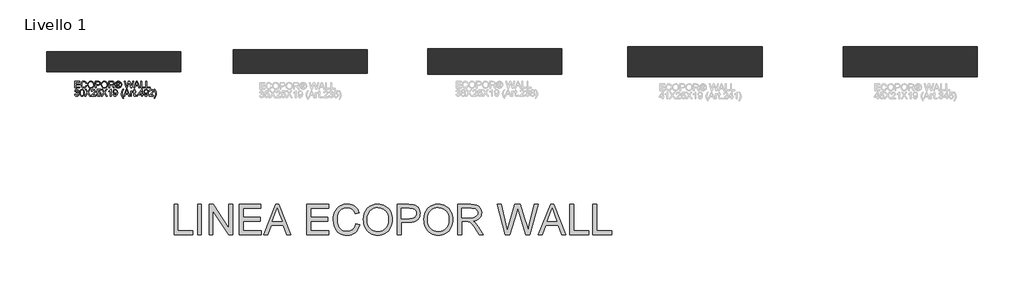
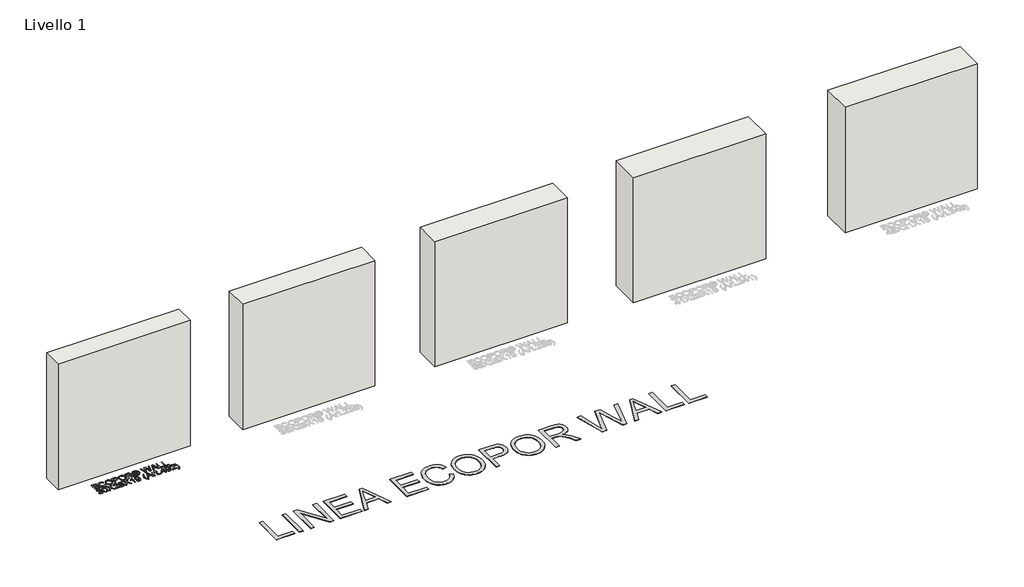
# One storey, part 1 of 4: 5 walls, 2 proxies.
"""IFC4 building model written with IfcOpenShell, lengths in millimetres."""

import ifcopenshell
import ifcopenshell.guid

model = None  # the IFC model being written
_history = None  # IfcOwnerHistory: only IFC2X3 demands one
_inside = {}  # id of a spatial element -> (the spatial element, [elements in it])
_under = {}  # id of a project, library or spatial element -> (it, [spatial elements below it])
_declared = {}  # id of a project -> (the project, [libraries it declares])
_typed = {}  # id of a type object -> (the type object, [elements of that type])
_made_of = {}  # id of a material, layer set ... -> (it, [elements and type objects made of it])


def new_model(schema):
    """Start an empty IFC model of exactly this schema.

    Asked for "IFC4X3", IfcOpenShell would pick the latest addendum, in which some entities
    have other attributes; the version numbers below select the first issue.
    IFC2X3 requires an IfcOwnerHistory on every rooted entity: one is made here for all.
    """
    global model, _history
    if schema == "IFC4X3":
        model = ifcopenshell.file(schema_version=(4, 3, 0, 0))
    else:
        model = ifcopenshell.file(schema=schema)
    _inside.clear()
    _under.clear()
    _declared.clear()
    _typed.clear()
    _made_of.clear()
    _history = None
    if model.schema == "IFC2X3":
        org = make("IfcOrganization", Name="unknown")
        user = make(
            "IfcPersonAndOrganization",
            ThePerson=make("IfcPerson", FamilyName="unknown"),
            TheOrganization=org,
        )
        app = make(
            "IfcApplication",
            ApplicationDeveloper=org,
            Version="unknown",
            ApplicationFullName="unknown",
            ApplicationIdentifier="unknown",
        )
        _history = make(
            "IfcOwnerHistory",
            OwningUser=user,
            OwningApplication=app,
            ChangeAction="ADDED",
            CreationDate=0,
        )
    return model


def make(cls, **values):
    """One entity of the class cls with the attributes given. An attribute that is None is left unset."""
    return model.create_entity(
        cls, **{name: value for name, value in values.items() if value is not None}
    )


def rooted(cls, **values):
    """An entity with a GlobalId (a new one), such as an element, a storey or a relation."""
    return make(cls, GlobalId=ifcopenshell.guid.new(), OwnerHistory=_history, **values)


def si_unit(unit_type, name, prefix=None):
    """IfcSIUnit, for example si_unit("LENGTHUNIT", "METRE", prefix="MILLI")."""
    return make("IfcSIUnit", UnitType=unit_type, Prefix=prefix, Name=name)


def assignment(units):
    """IfcUnitAssignment: the units of a project."""
    return None if units is None else make("IfcUnitAssignment", Units=units)


def point(xyz):
    """IfcCartesianPoint."""
    return None if xyz is None else make("IfcCartesianPoint", Coordinates=xyz)


def direction(xyz):
    """IfcDirection."""
    return None if xyz is None else make("IfcDirection", DirectionRatios=xyz)


def frame(location, z_axis=None, x_axis=None):
    """IfcAxis2Placement3D, a coordinate frame: its origin and axes. An axis left out is left unset."""
    return make(
        "IfcAxis2Placement3D",
        Location=point(location),
        Axis=direction(z_axis),
        RefDirection=direction(x_axis),
    )


def origin():
    """The frame at (0, 0, 0) with its axes left unset."""
    return frame((0.0, 0.0, 0.0))


def origin_with_axes():
    """The frame at (0, 0, 0) with the z axis (0, 0, 1) and the x axis (1, 0, 0) written out."""
    return frame((0.0, 0.0, 0.0), z_axis=(0.0, 0.0, 1.0), x_axis=(1.0, 0.0, 0.0))


def place(relative_to, where):
    """IfcLocalPlacement: puts the frame where relative to a parent placement (None: the world)."""
    return make(
        "IfcLocalPlacement", PlacementRelTo=relative_to, RelativePlacement=where
    )


def context(
    kind, dimensions, precision=None, world=None, true_north=None, identifier=None
):
    """IfcGeometricRepresentationContext, for example the 3D "Model" context."""
    return make(
        "IfcGeometricRepresentationContext",
        ContextIdentifier=identifier,
        ContextType=kind,
        CoordinateSpaceDimension=dimensions,
        Precision=precision,
        WorldCoordinateSystem=world,
        TrueNorth=true_north,
    )


def project(units=None, contexts=None):
    """IfcProject with its units and contexts."""
    return rooted(
        "IfcProject",
        Name="project",
        RepresentationContexts=contexts,
        UnitsInContext=assignment(units),
    )


def spatial(cls, under=None, at=None, **own):
    """A site, building, storey or space (cls), placed at a placement, below another one or the project."""
    s = rooted(cls, ObjectPlacement=at, **own)
    if under is not None:
        _under.setdefault(under.id(), (under, []))[1].append(s)
    return s


def polyline(points):
    """IfcPolyline through the points."""
    return make("IfcPolyline", Points=[point(p) for p in points])


def outline(outer, holes=None, kind="AREA"):
    """IfcArbitraryClosedProfileDef: a profile drawn as a closed curve; with holes, ...WithVoids."""
    if holes is None:
        return make("IfcArbitraryClosedProfileDef", ProfileType=kind, OuterCurve=outer)
    return make(
        "IfcArbitraryProfileDefWithVoids",
        ProfileType=kind,
        OuterCurve=outer,
        InnerCurves=holes,
    )


def extrude(swept, where, along, depth):
    """IfcExtrudedAreaSolid: the profile swept, set in the frame where, extruded along a direction by depth."""
    return make(
        "IfcExtrudedAreaSolid",
        SweptArea=swept,
        Position=where,
        ExtrudedDirection=direction(along),
        Depth=depth,
    )


def shape(context_of_items, identifier, shape_type, items):
    """IfcShapeRepresentation: the items that make up one representation, for example the "Body"."""
    return make(
        "IfcShapeRepresentation",
        ContextOfItems=context_of_items,
        RepresentationIdentifier=identifier,
        RepresentationType=shape_type,
        Items=items,
    )


def made_of(thing, what):
    """Note that an element or type object is made of a material, layer set ...; save() writes the relation."""
    if what is not None:
        _made_of.setdefault(what.id(), (what, []))[1].append(thing)
    return thing


def element(
    cls,
    number,
    at=None,
    inside=None,
    cuts=None,
    type_object=None,
    material=None,
    context=None,
    identifier="Body",
    shape_type=None,
    held_by="IfcProductDefinitionShape",
    body=None,
    shapes=None,
    **own,
):
    """One element of the class cls, such as IfcWall. Its Tag is "e" and its number.

    at: its placement. inside: the storey or other place that contains it. cuts: it is an
    opening in that element (IfcRelVoidsElement). A single representation is given by context,
    identifier, shape_type and body (its items); several are given by shapes. held_by: the class
    of the entity that holds the representations. save() writes the other relations.
    """
    e = rooted(cls, Tag="e%d" % number, ObjectPlacement=at, **own)
    if body is not None:
        shapes = [shape(context, identifier, shape_type, body)]
    if shapes is not None:
        e.Representation = make(held_by, Representations=shapes)
    if inside is not None:
        _inside.setdefault(inside.id(), (inside, []))[1].append(e)
    if cuts is not None:
        rooted(
            "IfcRelVoidsElement", RelatingBuildingElement=cuts, RelatedOpeningElement=e
        )
    if type_object is not None:
        _typed.setdefault(type_object.id(), (type_object, []))[1].append(e)
    return made_of(e, material)


def aggregate(whole, parts):
    """IfcRelAggregates: a whole, such as a stair, and the parts it consists of."""
    return rooted("IfcRelAggregates", RelatingObject=whole, RelatedObjects=parts)


def save(model, path):
    """Write the relations noted so far, then the file.

    IfcRelAggregates (storeys below a building ...), IfcRelContainedInSpatialStructure (elements
    in a storey), IfcRelDefinesByType, IfcRelAssociatesMaterial and IfcRelDeclares: one each for
    every whole, place, type object, material and project.
    """
    for whole, parts in _under.values():
        aggregate(whole, parts)
    for where, things in _inside.values():
        rooted(
            "IfcRelContainedInSpatialStructure",
            RelatedElements=things,
            RelatingStructure=where,
        )
    for kind, things in _typed.values():
        rooted("IfcRelDefinesByType", RelatedObjects=things, RelatingType=kind)
    for what, things in _made_of.values():
        rooted("IfcRelAssociatesMaterial", RelatedObjects=things, RelatingMaterial=what)
    for by, libraries in _declared.values():
        rooted("IfcRelDeclares", RelatingContext=by, RelatedDefinitions=libraries)
    model.write(path)


model = new_model("IFC4")

# Units and contexts
model_context = context("Model", 3, world=origin())
ifc_project = project(units=[si_unit("LENGTHUNIT", "METRE", prefix="MILLI")], contexts=[model_context])

# Site, building, storey
site = spatial("IfcSite", under=ifc_project)
building = spatial("IfcBuilding", under=site)
storey = spatial("IfcBuildingStorey", under=building, Name="Livello 1", Elevation=0.0)

# Proxies
placement = place(None, origin())
element("IfcBuildingElementProxy", 1, Name="100", ObjectType="100", at=placement, inside=storey, context=model_context, shape_type="SweptSolid", body=[
    extrude(outline(polyline([(-4607.2452615, 222.946678), (-4607.2452615, 323.4029882), (-4535.0422885, 323.4029882), (-4535.0422885, 310.8459494), (-4594.6882227, 310.8459494), (-4594.6882227, 281.0229823), (-4538.1815482, 281.0229823), (-4538.1815482, 268.4659435), (-4594.6882227, 268.4659435), (-4594.6882227, 235.5037168), (-4533.4726587, 235.5037168), (-4533.4726587, 222.946678), (-4607.2452615, 222.946678)])), origin_with_axes(), (0.0, 0.0, 1.0), 5.0),
    extrude(outline(polyline([(-4444.0037575, 258.655757), (-4431.4467187, 255.4183954), (-4437.2408601, 240.7858891), (-4446.3336768, 230.0958514), (-4458.2775789, 223.556749), (-4472.6249767, 221.3770482), (-4487.190038, 223.0263858), (-4498.7568611, 227.9743986), (-4507.6228172, 236.0494084), (-4514.0852776, 247.0797369), (-4519.3459901, 273.9351225), (-4517.8591337, 288.5829573), (-4513.3985645, 301.2319666), (-4506.1972744, 311.4805458), (-4496.4882555, 318.9270905), (-4484.973549, 323.4612361), (-4472.3551966, 324.972618), (-4458.5872129, 323.0167121), (-4447.2043308, 317.1489942), (-4438.5621696, 307.7312152), (-4433.0163485, 295.1251255), (-4445.5733873, 292.1330186), (-4455.8740832, 307.5717996), (-4472.8457059, 312.4155792), (-4492.4906044, 307.0445021), (-4503.588378, 292.6235279), (-4506.7889513, 273.959648), (-4502.9997668, 252.3281867), (-4491.2030175, 238.5080864), (-4473.8757755, 233.9340869), (-4463.3942043, 235.491454), (-4454.6600726, 240.1635554), (-4448.0657878, 247.90134), (-4444.0037575, 258.655757)])), origin_with_axes(), (0.0, 0.0, 1.0), 5.0),
    extrude(outline(polyline([(-4418.8896799, 271.8504579), (-4415.5419538, 294.064399), (-4405.4987753, 310.8704749), (-4390.1642275, 321.4470822), (-4370.9423932, 324.972618), (-4357.7660864, 323.317149), (-4345.950943, 318.3507421), (-4336.1407565, 310.4228851), (-4328.9793203, 299.8830659), (-4324.6015246, 287.240188), (-4323.1422593, 273.0031548), (-4324.6781667, 258.5760492), (-4329.2858886, 245.7553617), (-4336.7109736, 235.1971484), (-4346.6989697, 227.5574657), (-4358.4129456, 222.9221525), (-4371.0159696, 221.3770482), (-4384.3946115, 223.0846338), (-4396.2772, 228.2073905), (-4406.062861, 236.2824003), (-4413.1507208, 246.846745), (-4418.8896799, 271.8504579)]), holes=[polyline([(-4406.3326412, 271.7278306), (-4403.8218465, 256.013138), (-4396.2894627, 244.0385791), (-4384.9678943, 236.46021), (-4371.089546, 233.9340869), (-4357.0088627, 236.4847354), (-4345.6689002, 244.1366809), (-4338.1916986, 256.4791219), (-4335.6992981, 273.1012567), (-4339.9667292, 293.8252757), (-4352.4379289, 307.5472742), (-4370.8688168, 312.4155792), (-4384.3762174, 310.0703315), (-4395.860267, 303.0345884), (-4403.7145476, 290.5174035), (-4406.3326412, 271.7278306)])]), origin_with_axes(), (0.0, 0.0, 1.0), 5.0),
    extrude(outline(polyline([(-4305.876331, 222.946678), (-4305.876331, 323.4029882), (-4268.6466731, 323.4029882), (-4253.6370877, 322.446495), (-4241.4356682, 317.7498682), (-4233.5262053, 308.0377835), (-4230.5340984, 294.3403105), (-4232.5543837, 282.5006417), (-4238.6152396, 272.6352728), (-4249.9490707, 265.9766087), (-4267.7882818, 263.757054), (-4293.3192922, 263.757054), (-4293.3192922, 222.946678), (-4305.876331, 222.946678)]), holes=[polyline([(-4293.3192922, 276.3140928), (-4267.0525178, 276.3140928), (-4248.5603162, 280.9248804), (-4244.4584319, 286.4737672), (-4243.0911372, 293.8988521), (-4246.316236, 304.2976499), (-4254.7897846, 309.9875581), (-4267.3468234, 310.8459494), (-4293.3192922, 310.8459494), (-4293.3192922, 276.3140928)])]), origin_with_axes(), (0.0, 0.0, 1.0), 5.0),
    extrude(outline(polyline([(-4217.9770596, 271.8504579), (-4214.6293335, 294.064399), (-4204.586155, 310.8704749), (-4189.2516072, 321.4470822), (-4170.0297729, 324.972618), (-4156.8534661, 323.317149), (-4145.0383227, 318.3507421), (-4135.2281362, 310.4228851), (-4128.0667, 299.8830659), (-4123.6889043, 287.240188), (-4122.229639, 273.0031548), (-4123.7655464, 258.5760492), (-4128.3732683, 245.7553617), (-4135.7983533, 235.1971484), (-4145.7863494, 227.5574657), (-4157.5003253, 222.9221525), (-4170.1033493, 221.3770482), (-4183.4819912, 223.0846338), (-4195.3645797, 228.2073905), (-4205.1502407, 236.2824003), (-4212.2381005, 246.846745), (-4217.9770596, 271.8504579)]), holes=[polyline([(-4205.4200209, 271.7278306), (-4202.9092262, 256.013138), (-4195.3768424, 244.0385791), (-4184.055274, 236.46021), (-4170.1769257, 233.9340869), (-4156.0962424, 236.4847354), (-4144.7562799, 244.1366809), (-4137.2790783, 256.4791219), (-4134.7866778, 273.1012567), (-4139.0541089, 293.8252757), (-4151.5253086, 307.5472742), (-4169.9561965, 312.4155792), (-4183.4635971, 310.0703315), (-4194.9476467, 303.0345884), (-4202.8019273, 290.5174035), (-4205.4200209, 271.7278306)])]), origin_with_axes(), (0.0, 0.0, 1.0), 5.0),
    extrude(outline(polyline([(-4104.9637107, 222.946678), (-4104.9637107, 323.4029882), (-4061.6762626, 323.4029882), (-4041.5776429, 320.6929241), (-4030.590234, 311.1034668), (-4026.4822184, 295.9099404), (-4028.1836726, 286.0139147), (-4033.2880353, 277.8101462), (-4041.9485906, 271.7952756), (-4054.3186227, 268.4659435), (-4047.181712, 263.0948664), (-4037.0036435, 250.1699456), (-4020.25275, 222.946678), (-4034.8454024, 222.946678), (-4047.917476, 243.7687989), (-4057.3597805, 257.552111), (-4063.9939192, 264.0636223), (-4069.9658702, 266.4548553), (-4077.2499337, 266.8963137), (-4092.4066719, 266.8963137), (-4092.4066719, 222.946678), (-4104.9637107, 222.946678)]), holes=[polyline([(-4092.4066719, 279.4533525), (-4064.3004875, 279.4533525), (-4049.9653524, 281.2314488), (-4041.8228976, 286.921357), (-4039.0392572, 295.4439565), (-4044.3490206, 306.5049418), (-4061.1367024, 310.8459494), (-4092.4066719, 310.8459494), (-4092.4066719, 279.4533525)])]), origin_with_axes(), (0.0, 0.0, 1.0), 5.0),
    extrude(outline(polyline([(-3963.6724991, 324.972618), (-3950.7782352, 323.2987549), (-3938.1905396, 318.2771657), (-3927.1326199, 310.1408422), (-3918.8276839, 299.1227765), (-3913.6313507, 286.4001908), (-3911.8992396, 273.1503076), (-3913.6068252, 260.0169204), (-3918.729582, 247.3985679), (-3926.9333505, 236.4203561), (-3937.8839712, 228.2073905), (-3950.4931266, 223.0846338), (-3963.6724991, 221.3770482), (-3976.8334775, 223.0846338), (-3989.4365015, 228.2073905), (-4000.3963193, 236.4203561), (-4008.6276789, 247.3985679), (-4013.7780268, 260.0169204), (-4015.4948095, 273.1503076), (-4013.7535014, 286.4001908), (-4008.529577, 299.1227765), (-4000.1970499, 310.1408422), (-3989.1299332, 318.2771657), (-3976.5483689, 323.2987549), (-3963.6724991, 324.972618)]), holes=[polyline([(-3963.6724991, 315.5548389), (-3984.49462, 310.0733972), (-3993.5230573, 303.4116674), (-4000.350334, 294.3893615), (-4006.0770304, 273.1503076), (-4000.4606986, 252.0951948), (-3984.7398747, 236.411159), (-3963.6724991, 230.7948272), (-3942.5928608, 236.411159), (-3926.9088251, 252.0951948), (-3921.3170187, 273.1503076), (-3927.0069269, 294.3893615), (-3933.8158095, 303.4116674), (-3942.8626409, 310.0733972), (-3963.6724991, 315.5548389)])]), origin_with_axes(), (0.0, 0.0, 1.0), 5.0),
    extrude(outline(polyline([(-3987.2414723, 241.7822362), (-3987.2414723, 304.56743), (-3966.9589116, 304.56743), (-3951.9002753, 302.8383846), (-3944.4813217, 296.8051199), (-3941.7222067, 287.6448582), (-3946.4801472, 275.7254816), (-3959.0862369, 270.0355734), (-3954.1811436, 266.70011), (-3945.6217559, 254.1675967), (-3938.582947, 241.7822362), (-3949.1779485, 241.7822362), (-3954.6961784, 251.7395755), (-3963.9422792, 266.1605497), (-3971.9621067, 268.4659435), (-3977.8236932, 268.4659435), (-3977.8236932, 241.7822362), (-3987.2414723, 241.7822362)]), holes=[polyline([(-3977.8236932, 277.8837226), (-3965.9043165, 277.8837226), (-3954.25472, 280.2749556), (-3951.1399858, 286.6147886), (-3952.6360392, 291.1765254), (-3956.7931058, 294.1686323), (-3966.664606, 295.1496509), (-3977.8236932, 295.1496509), (-3977.8236932, 277.8837226)])]), origin_with_axes(), (0.0, 0.0, 1.0), 5.0),
    extrude(outline(polyline([(-3843.6939177, 222.946678), (-3871.0888636, 323.4029882), (-3858.1394174, 323.4029882), (-3842.2469152, 257.3804328), (-3837.341822, 236.9997702), (-3832.0933722, 255.025988), (-3812.1786935, 323.4029882), (-3793.5148136, 323.4029882), (-3779.0447885, 273.8370207), (-3768.2781087, 236.9997702), (-3763.5201683, 256.7918216), (-3747.4805133, 323.4029882), (-3734.531067, 323.4029882), (-3761.9505384, 222.946678), (-3775.3659685, 222.946678), (-3799.4499765, 300.4471517), (-3802.8099653, 311.2628823), (-3806.5868872, 298.2398597), (-3828.5371795, 222.946678), (-3843.6939177, 222.946678)])), origin_with_axes(), (0.0, 0.0, 1.0), 5.0),
    extrude(outline(polyline([(-3733.6726757, 222.946678), (-3693.5735382, 323.4029882), (-3682.8804349, 323.4029882), (-3642.7812974, 222.946678), (-3656.0495747, 222.946678), (-3667.5520185, 254.3392749), (-3708.9264802, 254.3392749), (-3720.4043984, 222.946678), (-3733.6726757, 222.946678)]), holes=[polyline([(-3704.3156925, 266.8963137), (-3672.1382807, 266.8963137), (-3681.1881777, 291.5934583), (-3688.2269866, 310.8459494), (-3694.4809805, 293.7516993), (-3704.3156925, 266.8963137)])]), origin_with_axes(), (0.0, 0.0, 1.0), 5.0),
    extrude(outline(polyline([(-3629.3658674, 222.946678), (-3629.3658674, 323.4029882), (-3616.8088286, 323.4029882), (-3616.8088286, 235.5037168), (-3566.5806735, 235.5037168), (-3566.5806735, 222.946678), (-3629.3658674, 222.946678)])), origin_with_axes(), (0.0, 0.0, 1.0), 5.0),
    extrude(outline(polyline([(-3552.4540049, 222.946678), (-3552.4540049, 323.4029882), (-3539.8969661, 323.4029882), (-3539.8969661, 235.5037168), (-3489.6688111, 235.5037168), (-3489.6688111, 222.946678), (-3552.4540049, 222.946678)])), origin_with_axes(), (0.0, 0.0, 1.0), 5.0),
    extrude(outline(polyline([(-4611.954151, 127.6555675), (-4599.3971122, 129.2251974), (-4592.468668, 116.005971), (-4579.506959, 111.9592691), (-4570.8985203, 113.3510893), (-4564.252119, 117.5265499), (-4558.5867362, 131.309862), (-4564.203068, 144.2960965), (-4578.4768894, 149.4341817), (-4587.2815319, 148.0607555), (-4585.8835803, 160.6177943), (-4583.872492, 160.4706415), (-4569.6231961, 164.0758851), (-4564.8775184, 168.6498845), (-4563.2956258, 175.1613959), (-4567.881888, 184.9838451), (-4579.7031628, 188.8711315), (-4591.6715903, 184.9470569), (-4597.8274824, 173.1748331), (-4610.3845212, 174.7444629), (-4606.6873071, 186.0200461), (-4600.1083508, 194.4384124), (-4591.1075046, 199.6807308), (-4580.1446212, 201.4281703), (-4565.0001457, 197.9823423), (-4554.4051442, 188.5645632), (-4550.738587, 175.8971598), (-4554.2212032, 164.3211397), (-4564.5218991, 156.0070066), (-4550.8366889, 147.4230934), (-4546.0296975, 131.0891328), (-4548.4331932, 118.8509251), (-4555.6436803, 108.6238057), (-4566.526856, 101.7076241), (-4579.9484174, 99.4022303), (-4592.0885233, 101.370399), (-4601.9722862, 107.274905), (-4608.8455481, 116.306408), (-4611.954151, 127.6555675)])), origin_with_axes(), (0.0, 0.0, 1.0), 5.0),
    extrude(outline(polyline([(-4535.0422885, 150.3906748), (-4531.3512059, 179.2939369), (-4520.3883224, 195.9589913), (-4502.0800618, 201.4281703), (-4487.4138329, 198.1908088), (-4477.2848153, 188.8588688), (-4471.3987034, 173.9964362), (-4469.117835, 150.3906748), (-4472.7721295, 121.6100401), (-4483.6982248, 104.9081975), (-4491.9295844, 100.7787221), (-4502.0800618, 99.4022303), (-4515.1276099, 101.7934633), (-4525.0358983, 108.9671622), (-4532.540691, 125.957179), (-4535.0422885, 150.3906748)]), holes=[polyline([(-4522.4852498, 150.4152003), (-4521.0137218, 130.6630029), (-4516.5991379, 119.2310699), (-4510.0263129, 113.7772193), (-4502.0800618, 111.9592691), (-4494.1338107, 113.7833506), (-4487.5609857, 119.2555953), (-4483.1464018, 130.6936597), (-4481.6748738, 150.4152003), (-4483.0973508, 169.7228737), (-4487.364782, 181.2437115), (-4493.9253442, 186.9642765), (-4502.2272146, 188.8711315), (-4510.0876265, 187.1911371), (-4516.4029341, 182.1511538), (-4520.9646709, 169.9129461), (-4522.4852498, 150.4152003)])]), origin_with_axes(), (0.0, 0.0, 1.0), 5.0),
    extrude(outline(polyline([(-4464.4089455, 100.9718602), (-4425.6832341, 155.712701), (-4458.1304261, 201.4281703), (-4443.0717898, 201.4281703), (-4424.8003173, 175.7009561), (-4418.6444253, 165.6700404), (-4411.4339382, 175.8726344), (-4393.3586695, 201.4281703), (-4378.0793039, 201.4281703), (-4410.5264959, 155.5655482), (-4371.8007846, 100.9718602), (-4386.8594209, 100.9718602), (-4412.6602115, 137.3676522), (-4418.0312886, 144.9214958), (-4423.941926, 136.6318882), (-4449.1295799, 100.9718602), (-4464.4089455, 100.9718602)])), origin_with_axes(), (0.0, 0.0, 1.0), 5.0),
    extrude(outline(polyline([(-4299.5978116, 113.5288989), (-4299.5978116, 100.9718602), (-4365.5222652, 100.9718602), (-4364.1733645, 109.6293498), (-4356.5459445, 122.9589407), (-4340.8251206, 137.514805), (-4319.1446083, 158.4350278), (-4313.7244802, 172.6597983), (-4318.83804, 184.1745047), (-4332.1921564, 188.8711315), (-4346.1103586, 184.2848693), (-4351.3955966, 171.6052032), (-4363.9526353, 173.1748331), (-4360.9084118, 185.3210703), (-4354.3263898, 194.1931577), (-4344.5499258, 199.6194172), (-4331.9223763, 201.4281703), (-4319.2028563, 199.4170821), (-4309.4447864, 193.3838173), (-4303.2367777, 184.3707085), (-4301.1674415, 173.4200877), (-4303.3992589, 161.5129738), (-4310.8182125, 149.2011897), (-4328.807642, 131.9965751), (-4343.2531417, 119.9177829), (-4348.9185245, 113.5288989), (-4299.5978116, 113.5288989)])), origin_with_axes(), (0.0, 0.0, 1.0), 5.0),
    extrude(outline(polyline([(-4287.0407729, 127.6555675), (-4274.4837341, 129.2251974), (-4268.1561638, 116.2880139), (-4255.0350393, 111.9592691), (-4246.0341931, 113.4645196), (-4239.2896899, 117.9802711), (-4235.077441, 124.9853574), (-4233.6733581, 133.9586124), (-4238.9340706, 148.8700959), (-4245.5406181, 152.9719802), (-4254.8388356, 154.3392749), (-4265.8630327, 152.1565084), (-4272.9141042, 146.4911257), (-4285.471143, 148.0607555), (-4274.4837341, 199.8585405), (-4225.8252089, 199.8585405), (-4225.8252089, 187.3015017), (-4264.330191, 187.3015017), (-4269.7012682, 159.6367757), (-4260.7310788, 165.0814292), (-4251.3316939, 166.8963137), (-4239.5993239, 164.6461022), (-4229.8596481, 157.8954675), (-4223.3021515, 147.6070344), (-4221.1163193, 134.7434273), (-4223.084488, 122.1863885), (-4228.988994, 111.4442343), (-4240.295234, 102.4127313), (-4255.0840902, 99.4022303), (-4267.4173341, 101.3366765), (-4277.2428491, 107.1400149), (-4283.9781553, 116.1377954), (-4287.0407729, 127.6555675)])), origin_with_axes(), (0.0, 0.0, 1.0), 5.0),
    extrude(outline(polyline([(-4216.4074298, 100.9718602), (-4177.6817184, 155.712701), (-4210.1289104, 201.4281703), (-4195.0702741, 201.4281703), (-4176.7988016, 175.7009561), (-4170.6429096, 165.6700404), (-4163.4324225, 175.8726344), (-4145.3571538, 201.4281703), (-4130.0777883, 201.4281703), (-4162.5249802, 155.5655482), (-4123.7992689, 100.9718602), (-4138.8579052, 100.9718602), (-4164.6586958, 137.3676522), (-4170.0297729, 144.9214958), (-4175.9404103, 136.6318882), (-4201.1280643, 100.9718602), (-4216.4074298, 100.9718602)])), origin_with_axes(), (0.0, 0.0, 1.0), 5.0),
    extrude(outline(polyline([(-4068.8622243, 100.9718602), (-4081.419263, 100.9718602), (-4081.419263, 179.2571487), (-4093.3141142, 170.7836001), (-4106.5333406, 164.4437671), (-4106.5333406, 176.3140928), (-4088.1269781, 188.0617911), (-4076.9556282, 201.4281703), (-4068.8622243, 201.4281703), (-4068.8622243, 100.9718602)])), origin_with_axes(), (0.0, 0.0, 1.0), 5.0),
    extrude(outline(polyline([(-4037.4696273, 126.0859377), (-4024.9125886, 127.6555675), (-4019.2717313, 115.6748772), (-4008.578628, 111.9592691), (-3998.4128222, 114.350502), (-3991.5211661, 120.739386), (-3987.4131505, 131.6532186), (-3985.598266, 146.2213456), (-3985.6718424, 148.6738922), (-3995.7150209, 139.1580113), (-4009.4860702, 135.5037168), (-4020.9363973, 137.7355342), (-4030.4676067, 144.4309865), (-4036.8963446, 154.774602), (-4039.0392572, 167.9509087), (-4036.7921113, 181.5625426), (-4030.0506738, 192.2311204), (-4019.9247218, 199.1289078), (-4007.5240329, 201.4281703), (-3989.6327052, 196.1797205), (-3977.3209211, 181.219186), (-3973.1148036, 153.1130016), (-3977.3086584, 122.6155842), (-3982.5233857, 112.6245224), (-3989.779858, 105.3373932), (-3998.7653758, 100.886021), (-4009.1672392, 99.4022303), (-4019.9032621, 101.1527355), (-4028.4687812, 106.404251), (-4034.4591263, 114.825683), (-4037.4696273, 126.0859377)]), holes=[polyline([(-3985.6718424, 168.2452143), (-3987.0268744, 176.7555512), (-3991.0919705, 183.3038507), (-3997.4011467, 187.4793113), (-4005.4884192, 188.8711315), (-4013.8761287, 187.3720124), (-4020.5961065, 182.874655), (-4025.0106904, 175.992196), (-4026.4822184, 167.3377721), (-4025.0903982, 159.5785277), (-4020.9149376, 153.4195699), (-4014.3605067, 149.4004591), (-4005.8317757, 148.0607555), (-3991.3494879, 153.4195699), (-3987.0912538, 159.8053882), (-3985.6718424, 168.2452143)])]), origin_with_axes(), (0.0, 0.0, 1.0), 5.0),
    extrude(outline(polyline([(-3894.6333113, 72.7185229), (-3912.4633254, 102.173608), (-3917.926373, 119.3536972), (-3919.7473889, 137.146923), (-3914.3027353, 167.6811286), (-3894.6333113, 201.4281703), (-3885.2155323, 201.4281703), (-3896.9632306, 181.5380171), (-3904.026565, 162.2610006), (-3907.1903501, 137.0733466), (-3901.6966456, 104.883672), (-3885.2155323, 72.7185229), (-3894.6333113, 72.7185229)])), origin_with_axes(), (0.0, 0.0, 1.0), 5.0),
    extrude(outline(polyline([(-3882.7875111, 100.9718602), (-3842.6883736, 201.4281703), (-3831.9952703, 201.4281703), (-3791.8961328, 100.9718602), (-3805.1644101, 100.9718602), (-3816.6668538, 132.3644571), (-3858.0413156, 132.3644571), (-3869.5192338, 100.9718602), (-3882.7875111, 100.9718602)]), holes=[polyline([(-3853.4305279, 144.9214958), (-3821.253116, 144.9214958), (-3830.3030131, 169.6186405), (-3837.341822, 188.8711315), (-3843.5958159, 171.7768815), (-3853.4305279, 144.9214958)])]), origin_with_axes(), (0.0, 0.0, 1.0), 5.0),
    extrude(outline(polyline([(-3780.0503326, 100.9718602), (-3780.0503326, 174.7444629), (-3769.0629237, 174.7444629), (-3769.0629237, 163.8306304), (-3761.2638254, 173.8860716), (-3753.4156761, 176.3140928), (-3740.8095864, 172.4390691), (-3745.0034412, 161.18188), (-3753.8326091, 163.757054), (-3760.9327316, 161.2799819), (-3765.4576801, 154.4128513), (-3767.4932938, 139.7466224), (-3767.4932938, 100.9718602), (-3780.0503326, 100.9718602)])), origin_with_axes(), (0.0, 0.0, 1.0), 5.0),
    extrude(outline(polyline([(-3706.2777298, 111.4442343), (-3704.7081, 100.6039782), (-3714.1013536, 99.4022303), (-3724.6227786, 101.486895), (-3729.8712284, 106.9560739), (-3731.3918073, 121.2053699), (-3731.3918073, 162.1874242), (-3740.8095864, 162.1874242), (-3740.8095864, 174.7444629), (-3731.3918073, 174.7444629), (-3731.3918073, 192.6725788), (-3718.8347686, 200.0547442), (-3718.8347686, 174.7444629), (-3706.2777298, 174.7444629), (-3706.2777298, 162.1874242), (-3718.8347686, 162.1874242), (-3718.8347686, 121.5732519), (-3718.172581, 115.0985288), (-3716.0266027, 112.8053977), (-3711.7469088, 111.9592691), (-3706.2777298, 111.4442343)])), origin_with_axes(), (0.0, 0.0, 1.0), 5.0),
    extrude(outline(polyline([(-3690.5814313, 100.9718602), (-3690.5814313, 113.5288989), (-3678.0243926, 113.5288989), (-3678.0243926, 100.9718602), (-3690.5814313, 100.9718602)])), origin_with_axes(), (0.0, 0.0, 1.0), 5.0),
    extrude(outline(polyline([(-3616.8088286, 100.9718602), (-3616.8088286, 124.5163078), (-3662.3280941, 124.5163078), (-3662.3280941, 137.0733466), (-3613.6695689, 199.8585405), (-3604.2517898, 199.8585405), (-3604.2517898, 137.0733466), (-3591.694751, 137.0733466), (-3591.694751, 124.5163078), (-3604.2517898, 124.5163078), (-3604.2517898, 100.9718602), (-3616.8088286, 100.9718602)]), holes=[polyline([(-3616.8088286, 137.0733466), (-3616.8088286, 175.8726344), (-3646.8770503, 137.0733466), (-3616.8088286, 137.0733466)])]), origin_with_axes(), (0.0, 0.0, 1.0), 5.0),
    extrude(outline(polyline([(-3579.1377123, 126.0859377), (-3566.5806735, 127.6555675), (-3560.9398162, 115.6748772), (-3550.2467129, 111.9592691), (-3540.0809071, 114.350502), (-3533.1892511, 120.739386), (-3529.0812355, 131.6532186), (-3527.266351, 146.2213456), (-3527.3399274, 148.6738922), (-3537.3831058, 139.1580113), (-3551.1541552, 135.5037168), (-3562.6044823, 137.7355342), (-3572.1356916, 144.4309865), (-3578.5644295, 154.774602), (-3580.7073421, 167.9509087), (-3578.4601963, 181.5625426), (-3571.7187587, 192.2311204), (-3561.5928068, 199.1289078), (-3549.1921179, 201.4281703), (-3531.3007902, 196.1797205), (-3518.9890061, 181.219186), (-3514.7828886, 153.1130016), (-3518.9767433, 122.6155842), (-3524.1914706, 112.6245224), (-3531.447943, 105.3373932), (-3540.4334607, 100.886021), (-3550.8353241, 99.4022303), (-3561.571347, 101.1527355), (-3570.1368661, 106.404251), (-3576.1272113, 114.825683), (-3579.1377123, 126.0859377)]), holes=[polyline([(-3527.3399274, 168.2452143), (-3528.6949594, 176.7555512), (-3532.7600554, 183.3038507), (-3539.0692316, 187.4793113), (-3547.1565042, 188.8711315), (-3555.5442137, 187.3720124), (-3562.2641914, 182.874655), (-3566.6787754, 175.992196), (-3568.1503034, 167.3377721), (-3566.7584831, 159.5785277), (-3562.5830225, 153.4195699), (-3556.0285916, 149.4004591), (-3547.4998607, 148.0607555), (-3533.0175728, 153.4195699), (-3528.7593387, 159.8053882), (-3527.3399274, 168.2452143)])]), origin_with_axes(), (0.0, 0.0, 1.0), 5.0),
    extrude(outline(polyline([(-3439.440656, 113.5288989), (-3439.440656, 100.9718602), (-3505.3651095, 100.9718602), (-3504.0162089, 109.6293498), (-3496.3887888, 122.9589407), (-3480.6679649, 137.514805), (-3458.9874527, 158.4350278), (-3453.5673246, 172.6597983), (-3458.6808843, 184.1745047), (-3472.0350007, 188.8711315), (-3485.9532029, 184.2848693), (-3491.2384409, 171.6052032), (-3503.7954797, 173.1748331), (-3500.7512562, 185.3210703), (-3494.1692341, 194.1931577), (-3484.3927701, 199.6194172), (-3471.7652206, 201.4281703), (-3459.0457006, 199.4170821), (-3449.2876307, 193.3838173), (-3443.079622, 184.3707085), (-3441.0102858, 173.4200877), (-3443.2421033, 161.5129738), (-3450.6610568, 149.2011897), (-3468.6504864, 131.9965751), (-3483.0959861, 119.9177829), (-3488.7613688, 113.5288989), (-3439.440656, 113.5288989)])), origin_with_axes(), (0.0, 0.0, 1.0), 5.0),
    extrude(outline(polyline([(-3420.6050978, 72.7185229), (-3430.0228769, 72.7185229), (-3413.5417635, 104.883672), (-3408.0480591, 137.0733466), (-3411.2118442, 162.0402714), (-3418.2016021, 181.3418134), (-3430.0228769, 201.4281703), (-3420.6050978, 201.4281703), (-3400.9356738, 167.6811286), (-3395.4910203, 137.146923), (-3397.3212332, 119.3536972), (-3402.811872, 102.173608), (-3420.6050978, 72.7185229)])), origin_with_axes(), (0.0, 0.0, 1.0), 5.0),
])
element("IfcBuildingElementProxy", 2, Name="450mm", ObjectType="450mm", at=placement, inside=storey, context=model_context, shape_type="SweptSolid", body=[
    extrude(outline(polyline([(-3133.2504422, -1960.675424), (-3133.2504422, -1511.0192812), (-3077.0434244, -1511.0192812), (-3077.0434244, -1904.4684062), (-2852.215353, -1904.4684062), (-2852.215353, -1960.675424), (-3133.2504422, -1960.675424)])), origin_with_axes(), (0.0, 0.0, 1.0), 5.0),
    extrude(outline(polyline([(-2781.9565807, -1960.675424), (-2781.9565807, -1511.0192812), (-2725.7495628, -1511.0192812), (-2725.7495628, -1960.675424), (-2781.9565807, -1960.675424)])), origin_with_axes(), (0.0, 0.0, 1.0), 5.0),
    extrude(outline(polyline([(-2613.3355271, -1960.675424), (-2613.3355271, -1511.0192812), (-2553.1764533, -1511.0192812), (-2318.2486834, -1867.2532127), (-2318.2486834, -1511.0192812), (-2262.0416655, -1511.0192812), (-2262.0416655, -1960.675424), (-2322.2007393, -1960.675424), (-2557.1285093, -1604.3317132), (-2557.1285093, -1960.675424), (-2613.3355271, -1960.675424)])), origin_with_axes(), (0.0, 0.0, 1.0), 5.0),
    extrude(outline(polyline([(-2163.6793843, -1960.675424), (-2163.6793843, -1511.0192812), (-1840.4890316, -1511.0192812), (-1840.4890316, -1567.2262991), (-2107.4723664, -1567.2262991), (-2107.4723664, -1700.7179665), (-1854.5407861, -1700.7179665), (-1854.5407861, -1756.9249843), (-2107.4723664, -1756.9249843), (-2107.4723664, -1904.4684062), (-1833.4631544, -1904.4684062), (-1833.4631544, -1960.675424), (-2163.6793843, -1960.675424)])), origin_with_axes(), (0.0, 0.0, 1.0), 5.0),
    extrude(outline(polyline([(-1801.5173689, -1960.675424), (-1622.0281615, -1511.0192812), (-1574.1643728, -1511.0192812), (-1394.6751654, -1960.675424), (-1454.0657839, -1960.675424), (-1505.5522905, -1820.1578794), (-1690.7500231, -1820.1578794), (-1742.1267504, -1960.675424), (-1801.5173689, -1960.675424)]), holes=[polyline([(-1670.1115088, -1763.9508616), (-1526.0810255, -1763.9508616), (-1566.5895989, -1653.4030745), (-1598.0962672, -1567.2262991), (-1626.0899968, -1643.7424933), (-1670.1115088, -1763.9508616)])]), origin_with_axes(), (0.0, 0.0, 1.0), 5.0),
    extrude(outline(polyline([(-1158.9789402, -1960.675424), (-1158.9789402, -1511.0192812), (-835.7885875, -1511.0192812), (-835.7885875, -1567.2262991), (-1102.7719223, -1567.2262991), (-1102.7719223, -1700.7179665), (-849.840342, -1700.7179665), (-849.840342, -1756.9249843), (-1102.7719223, -1756.9249843), (-1102.7719223, -1904.4684062), (-828.7627103, -1904.4684062), (-828.7627103, -1960.675424), (-1158.9789402, -1960.675424)])), origin_with_axes(), (0.0, 0.0, 1.0), 5.0),
    extrude(outline(polyline([(-428.2877081, -1800.836717), (-372.0806903, -1815.3275888), (-383.2027088, -1850.2820142), (-398.0160574, -1880.8246826), (-416.520736, -1906.9555942), (-438.7167446, -1928.6747488), (-464.1032151, -1945.7488655), (-492.1792792, -1957.9446632), (-522.9449369, -1965.2621418), (-556.4001883, -1967.7013013), (-590.675354, -1965.8556363), (-621.5953889, -1960.3186412), (-649.160293, -1951.0903161), (-673.3700662, -1938.170661), (-694.5574773, -1921.7517897), (-713.0552946, -1902.0258161), (-728.8635184, -1878.99274), (-741.9821486, -1852.6525616), (-759.6428986, -1794.60674), (-765.5298152, -1732.4441934), (-763.8659722, -1698.5429635), (-758.8744432, -1666.8784875), (-750.5552283, -1637.4507654), (-738.9083273, -1610.2597971), (-724.1944662, -1585.7549919), (-706.674371, -1564.3857589), (-686.3480416, -1546.152098), (-663.215478, -1531.0540093), (-638.0622887, -1519.2149945), (-611.6740818, -1510.7585553), (-584.0508574, -1505.6846918), (-555.1926156, -1503.993404), (-523.0444244, -1506.1821294), (-493.5652432, -1512.7483057), (-466.7550721, -1523.6919328), (-442.6139109, -1539.0130108), (-421.5397098, -1558.3067284), (-403.9304189, -1581.1682742), (-389.7860381, -1607.5976483), (-379.1065675, -1637.5948507), (-435.3135853, -1650.9879292), (-454.7994167, -1609.9990712), (-467.2182036, -1594.3315022), (-481.4209047, -1581.8818399), (-497.4898544, -1572.3962195), (-515.5073872, -1565.6207764), (-557.3882022, -1560.2004219), (-582.6031425, -1561.7030265), (-605.6636634, -1566.2108403), (-626.5697649, -1573.7238633), (-645.321447, -1584.2420955), (-661.681998, -1597.2921136), (-675.4147063, -1612.4004941), (-686.5195718, -1629.5672371), (-694.9965946, -1648.7923426), (-705.7412467, -1689.9321471), (-709.3227974, -1732.334414), (-705.0825707, -1784.2600379), (-692.3618906, -1829.1597846), (-682.7013094, -1848.5461285), (-670.6804726, -1865.318352), (-656.2993801, -1879.4764552), (-639.558032, -1891.0204381), (-602.2467817, -1906.3758221), (-561.9989342, -1911.4942834), (-537.562741, -1909.7515365), (-515.0819923, -1904.5232959), (-494.5566878, -1895.8095614), (-475.9868278, -1883.6103332), (-459.8115293, -1867.9805008), (-446.4699099, -1848.974954), (-435.9619695, -1826.5936927), (-428.2877081, -1800.836717)])), origin_with_axes(), (0.0, 0.0, 1.0), 5.0),
    extrude(outline(polyline([(-315.8736724, -1741.7754366), (-312.1274527, -1689.0333289), (-300.8887936, -1642.3428068), (-282.1576951, -1601.7038705), (-255.9341573, -1567.1165198), (-223.7893967, -1539.5001566), (-187.2946301, -1519.7741829), (-146.4498575, -1507.9385987), (-101.2550788, -1503.993404), (-71.0040117, -1505.8459302), (-42.2761329, -1511.4035089), (-15.0714422, -1520.66614), (10.6100602, -1533.6338236), (34.0479475, -1549.9154707), (54.5217929, -1569.1199926), (72.0315963, -1591.2473891), (86.5773578, -1616.2976604), (98.0081307, -1643.7013261), (106.1729685, -1672.8889059), (111.0718712, -1703.8603999), (112.7048387, -1736.615808), (110.9861061, -1769.8034722), (105.8299081, -1801.1934999), (97.2362448, -1830.785891), (85.2051161, -1858.5806455), (70.0212623, -1883.8436142), (51.9694234, -1905.8406478), (31.0495995, -1924.5717463), (7.2617906, -1940.0369097), (-18.4574485, -1952.140081), (-45.1715627, -1960.7852034), (-72.8805522, -1965.9722768), (-101.5844168, -1967.7013013), (-132.363797, -1965.7904548), (-161.4690423, -1960.0579153), (-188.9001528, -1950.5036828), (-214.6571285, -1937.1277574), (-238.067571, -1920.4481602), (-258.4590819, -1900.9829124), (-275.8316612, -1878.7320141), (-290.1853088, -1853.6954653), (-301.4239679, -1826.8784329), (-309.4515815, -1799.286084), (-314.2681497, -1770.9184185), (-315.8736724, -1741.7754366)]), holes=[polyline([(-259.6666546, -1742.3243332), (-256.8569898, -1779.5875551), (-248.4279955, -1812.66544), (-234.3796716, -1841.5579879), (-214.7120182, -1866.2651988), (-190.8041381, -1886.0529233), (-164.0351342, -1900.1870123), (-134.4050064, -1908.6674656), (-101.9137548, -1911.4942834), (-68.8667454, -1908.6400208), (-38.886696, -1900.0772329), (-11.9736067, -1885.8059198), (11.8725225, -1865.8260814), (31.3960905, -1840.5974187), (45.3414963, -1810.5796327), (53.7087397, -1775.7727234), (56.4978209, -1736.1766906), (51.7224199, -1686.4192085), (37.3962171, -1643.4131553), (13.8897177, -1608.2426019), (-18.426573, -1581.9916192), (-57.4119582, -1565.6482212), (-100.9257409, -1560.2004219), (-132.2883237, -1562.824834), (-161.3867078, -1570.6980705), (-188.2208932, -1583.8201312), (-212.7908799, -1602.1910162), (-233.2990313, -1626.6958215), (-247.9477109, -1658.2196427), (-256.7369186, -1696.7624799), (-259.6666546, -1742.3243332)])]), origin_with_axes(), (0.0, 0.0, 1.0), 5.0),
    extrude(outline(polyline([(189.9894883, -1960.675424), (189.9894883, -1511.0192812), (356.6345139, -1511.0192812), (423.8194649, -1515.3006752), (453.7755, -1523.300844), (478.4346824, -1536.3234172), (498.291019, -1554.9584588), (513.8385169, -1579.7960326), (523.8833258, -1609.0933917), (527.2315954, -1641.1077893), (524.9708273, -1668.7104301), (518.1885229, -1694.1037617), (506.8846824, -1717.2877844), (491.0593056, -1738.2624979), (469.3332897, -1755.6487996), (440.3275319, -1768.0675865), (404.0420321, -1775.5188586), (360.4767905, -1778.002616), (246.1965061, -1778.002616), (246.1965061, -1960.675424), (189.9894883, -1960.675424)]), holes=[polyline([(246.1965061, -1721.7955982), (363.7701704, -1721.7955982), (413.609987, -1716.6359696), (432.1901389, -1710.1864338), (446.5437865, -1701.1570838), (457.2541326, -1689.7880618), (464.9043798, -1676.31951), (469.4945281, -1660.7514285), (471.0245775, -1643.0838173), (467.415582, -1617.834571), (456.5885954, -1596.5373807), (439.8884146, -1580.5095982), (418.6598363, -1571.0685757), (362.4528184, -1567.2262991), (246.1965061, -1567.2262991), (246.1965061, -1721.7955982)])]), origin_with_axes(), (0.0, 0.0, 1.0), 5.0),
    extrude(outline(polyline([(583.4386132, -1741.7754366), (587.1848329, -1689.0333289), (598.423492, -1642.3428068), (617.1545905, -1601.7038705), (643.3781284, -1567.1165198), (675.5228889, -1539.5001566), (712.0176555, -1519.7741829), (752.8624282, -1507.9385987), (798.0572068, -1503.993404), (828.3082739, -1505.8459302), (857.0361528, -1511.4035089), (884.2408434, -1520.66614), (909.9223458, -1533.6338236), (933.3602332, -1549.9154707), (953.8340785, -1569.1199926), (971.3438819, -1591.2473891), (985.8896434, -1616.2976604), (997.3204163, -1643.7013261), (1005.4852541, -1672.8889059), (1010.3841568, -1703.8603999), (1012.0171244, -1736.615808), (1010.2983917, -1769.8034722), (1005.1421937, -1801.1934999), (996.5485304, -1830.785891), (984.5174018, -1858.5806455), (969.3335479, -1883.8436142), (951.2817091, -1905.8406478), (930.3618852, -1924.5717463), (906.5740762, -1940.0369097), (880.8548371, -1952.140081), (854.1407229, -1960.7852034), (826.4317334, -1965.9722768), (797.7278688, -1967.7013013), (766.9484887, -1965.7904548), (737.8432433, -1960.0579153), (710.4121328, -1950.5036828), (684.6551571, -1937.1277574), (661.2447146, -1920.4481602), (640.8532037, -1900.9829124), (623.4806245, -1878.7320141), (609.1269769, -1853.6954653), (597.8883178, -1826.8784329), (589.8607041, -1799.286084), (585.044136, -1770.9184185), (583.4386132, -1741.7754366)]), holes=[polyline([(639.6456311, -1742.3243332), (642.4552959, -1779.5875551), (650.8842902, -1812.66544), (664.932614, -1841.5579879), (684.6002674, -1866.2651988), (708.5081475, -1886.0529233), (735.2771514, -1900.1870123), (764.9072792, -1908.6674656), (797.3985308, -1911.4942834), (830.4455403, -1908.6400208), (860.4255896, -1900.0772329), (887.3386789, -1885.8059198), (911.1848081, -1865.8260814), (930.7083762, -1840.5974187), (944.6537819, -1810.5796327), (953.0210254, -1775.7727234), (955.8101065, -1736.1766906), (951.0347056, -1686.4192085), (936.7085028, -1643.4131553), (913.2020034, -1608.2426019), (880.8857126, -1581.9916192), (841.9003274, -1565.6482212), (798.3865448, -1560.2004219), (767.0239619, -1562.824834), (737.9255778, -1570.6980705), (711.0913924, -1583.8201312), (686.5214057, -1602.1910162), (666.0132543, -1626.6958215), (651.3645747, -1658.2196427), (642.575367, -1696.7624799), (639.6456311, -1742.3243332)])]), origin_with_axes(), (0.0, 0.0, 1.0), 5.0),
    extrude(outline(polyline([(1089.3017739, -1960.675424), (1089.3017739, -1511.0192812), (1283.0622944, -1511.0192812), (1335.1388649, -1514.0519353), (1373.0264568, -1523.1498974), (1400.7182932, -1539.9461351), (1422.2075974, -1566.0736161), (1435.998626, -1598.4722414), (1440.5956355, -1634.0819121), (1438.6916502, -1657.176739), (1432.9796943, -1678.3778725), (1423.4597679, -1697.6853124), (1410.1318709, -1715.0990589), (1392.8244731, -1730.0633541), (1371.3660444, -1742.0224401), (1345.7565847, -1750.9763168), (1315.9960939, -1756.9249843), (1347.9418795, -1780.966658), (1393.5003022, -1838.8203658), (1468.4795857, -1960.675424), (1403.1608834, -1960.675424), (1344.6484995, -1867.4727714), (1302.3834568, -1805.776787), (1286.67129, -1787.786699), (1272.6881476, -1776.6303744), (1245.9568803, -1765.9268895), (1213.3524188, -1763.9508616), (1145.5087918, -1763.9508616), (1145.5087918, -1960.675424), (1089.3017739, -1960.675424)]), holes=[polyline([(1145.5087918, -1707.7438437), (1271.3159059, -1707.7438437), (1307.4470285, -1705.7540933), (1335.4819253, -1699.7848422), (1356.5870019, -1689.4381401), (1371.9286635, -1674.3160372), (1381.2736291, -1656.024056), (1384.3886176, -1636.1677194), (1382.903166, -1621.7934882), (1378.4468113, -1608.7503313), (1360.6213923, -1586.6572408), (1347.0121858, -1578.1562038), (1329.9517915, -1572.0840345), (1285.4774397, -1567.2262991), (1145.5087918, -1567.2262991), (1145.5087918, -1707.7438437)])]), origin_with_axes(), (0.0, 0.0, 1.0), 5.0),
    extrude(outline(polyline([(1795.0730977, -1960.675424), (1672.4495841, -1511.0192812), (1730.4130713, -1511.0192812), (1801.5500782, -1806.5452423), (1823.5059446, -1897.771867), (1846.9987216, -1817.0840581), (1936.139539, -1511.0192812), (2019.6816104, -1511.0192812), (2084.4514161, -1732.8833107), (2112.1981422, -1815.2178095), (2132.6445428, -1897.771867), (2153.9417331, -1809.1799462), (2225.7374161, -1511.0192812), (2283.7009033, -1511.0192812), (2160.9676104, -1960.675424), (2100.9183159, -1960.675424), (1993.1150121, -1613.7727357), (1978.0752437, -1565.3600504), (1961.1692266, -1623.6528756), (1862.9167247, -1960.675424), (1795.0730977, -1960.675424)])), origin_with_axes(), (0.0, 0.0, 1.0), 5.0),
    extrude(outline(polyline([(2287.5431799, -1960.675424), (2467.0323873, -1511.0192812), (2514.8961759, -1511.0192812), (2694.3853833, -1960.675424), (2634.9947648, -1960.675424), (2583.5082582, -1820.1578794), (2398.3105256, -1820.1578794), (2346.9337983, -1960.675424), (2287.5431799, -1960.675424)]), holes=[polyline([(2418.94904, -1763.9508616), (2562.9795232, -1763.9508616), (2522.4709498, -1653.4030745), (2490.9642816, -1567.2262991), (2462.970552, -1643.7424933), (2418.94904, -1763.9508616)])]), origin_with_axes(), (0.0, 0.0, 1.0), 5.0),
    extrude(outline(polyline([(2754.4346778, -1960.675424), (2754.4346778, -1511.0192812), (2810.6416956, -1511.0192812), (2810.6416956, -1904.4684062), (3035.469767, -1904.4684062), (3035.469767, -1960.675424), (2754.4346778, -1960.675424)])), origin_with_axes(), (0.0, 0.0, 1.0), 5.0),
    extrude(outline(polyline([(3098.7026621, -1960.675424), (3098.7026621, -1511.0192812), (3154.90968, -1511.0192812), (3154.90968, -1904.4684062), (3379.7377514, -1904.4684062), (3379.7377514, -1960.675424), (3098.7026621, -1960.675424)])), origin_with_axes(), (0.0, 0.0, 1.0), 5.0),
])

# Walls
element("IfcWall", 3, at=placement, inside=storey, context=model_context, shape_type="SweptSolid", body=[
    extrude(outline(polyline([(2637.3361644, 423.2413857), (637.3361644, 423.2413857), (637.3361644, 803.2413857), (2637.3361644, 803.2413857), (2637.3361644, 423.2413857)])), origin_with_axes(), (0.0, 0.0, 1.0), 2000.0),
])
element("IfcWall", 4, at=placement, inside=storey, context=model_context, shape_type="SweptSolid", body=[
    extrude(outline(polyline([(-256.3573455, 438.2413857), (-2256.3573455, 438.2413857), (-2256.3573455, 788.2413857), (-256.3573455, 788.2413857), (-256.3573455, 438.2413857)])), origin_with_axes(), (0.0, 0.0, 1.0), 2000.0),
])
element("IfcWall", 5, at=placement, inside=storey, context=model_context, shape_type="SweptSolid", body=[
    extrude(outline(polyline([(-3030.2073247, 463.2413857), (-5030.2073247, 463.2413857), (-5030.2073247, 763.2413857), (-3030.2073247, 763.2413857), (-3030.2073247, 463.2413857)])), origin_with_axes(), (0.0, 0.0, 1.0), 2000.0),
])
element("IfcWall", 6, at=placement, inside=storey, context=model_context, shape_type="SweptSolid", body=[
    extrude(outline(polyline([(5618.0675734, 388.2413857), (3618.0675734, 388.2413857), (3618.0675734, 838.2413857), (5618.0675734, 838.2413857), (5618.0675734, 388.2413857)])), origin_with_axes(), (0.0, 0.0, 1.0), 2000.0),
])
element("IfcWall", 7, at=placement, inside=storey, context=model_context, shape_type="SweptSolid", body=[
    extrude(outline(polyline([(8818.0675734, 388.2413857), (6818.0675734, 388.2413857), (6818.0675734, 838.2413857), (8818.0675734, 838.2413857), (8818.0675734, 388.2413857)])), origin_with_axes(), (0.0, 0.0, 1.0), 2000.0),
])

save(model, "model.ifc")
